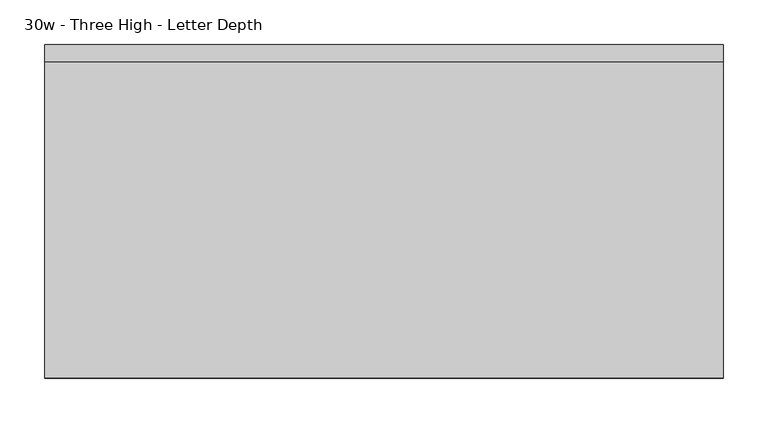
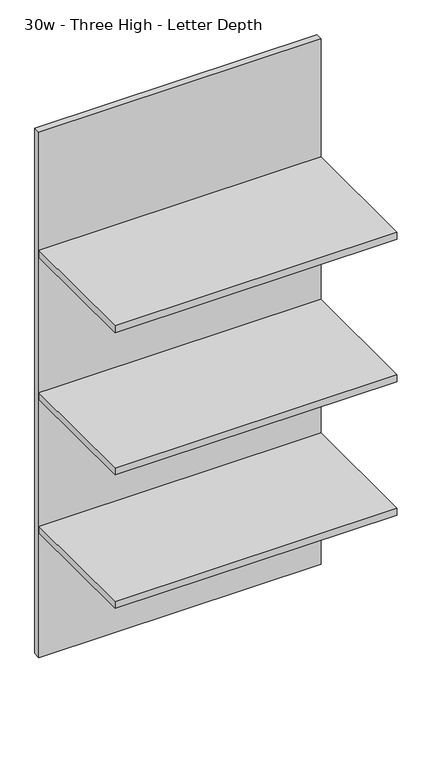
"""IFC4 building model written with IfcOpenShell, lengths in millimetres: furniture geometry, 30w - Three High - Letter Depth."""

from ifc_helpers import new_model, si_unit, frame, origin, place, context, project, spatial, polyline, outline, extrude, source, transform, mapped, element, save


def furniture_30w_three_high_letter_depth_f527505c(model_context):
    return source(origin(), model_context, "Body", "SweptSolid", [
        extrude(outline(polyline([(-378.5597098, -386.0843594), (-378.5597098, -30.4843594), (383.4402902, -30.4843594), (383.4402902, -386.0843594), (-378.5597098, -386.0843594)])), frame((0.0, 0.0, 1905.0), z_axis=(0.0, 0.0, 1.0), x_axis=(1.0, 0.0, 0.0)), (0.0, 0.0, 1.0), 19.05),
        extrude(outline(polyline([(-378.5597098, -386.0843594), (-378.5597098, -30.4843594), (383.4402902, -30.4843594), (383.4402902, -386.0843594), (-378.5597098, -386.0843594)])), frame((0.0, 0.0, 1498.6), z_axis=(0.0, 0.0, 1.0), x_axis=(1.0, 0.0, 0.0)), (0.0, 0.0, 1.0), 19.05),
        extrude(outline(polyline([(383.4402902, -30.4843594), (-378.5597098, -30.4843594), (-378.5597098, -11.4343594), (383.4402902, -11.4343594), (383.4402902, -30.4843594)])), frame((0.0, 0.0, 762.0), z_axis=(0.0, 0.0, 1.0), x_axis=(1.0, 0.0, 0.0)), (0.0, 0.0, 1.0), 1498.6),
        extrude(outline(polyline([(-378.5597098, -386.0843594), (-378.5597098, -30.4843594), (383.4402902, -30.4843594), (383.4402902, -386.0843594), (-378.5597098, -386.0843594)])), frame((0.0, 0.0, 1117.6), z_axis=(0.0, 0.0, 1.0), x_axis=(1.0, 0.0, 0.0)), (0.0, 0.0, 1.0), 19.05),
    ])


if __name__ == "__main__":
    model = new_model("IFC4")
    model_context = context("Model", 3, world=origin())
    ifc_project = project(units=[si_unit("LENGTHUNIT", "METRE", prefix="MILLI")], contexts=[model_context])
    site = spatial("IfcSite", under=ifc_project)
    building = spatial("IfcBuilding", under=site)
    placement = place(None, origin())
    furniture_30w_three_high_letter_depth_shape = furniture_30w_three_high_letter_depth_f527505c(model_context)
    element("IfcFurniture", 1, ObjectType="30w - Three High - Letter Depth", at=placement, inside=building, context=model_context, shape_type="MappedRepresentation", body=[
        mapped(furniture_30w_three_high_letter_depth_shape, transform((0.0, 0.0, 0.0), x_axis=(1.0, 0.0, 0.0), y_axis=(0.0, 1.0, 0.0), z_axis=(0.0, 0.0, 1.0))),
    ])
    save(model, "model.ifc")
